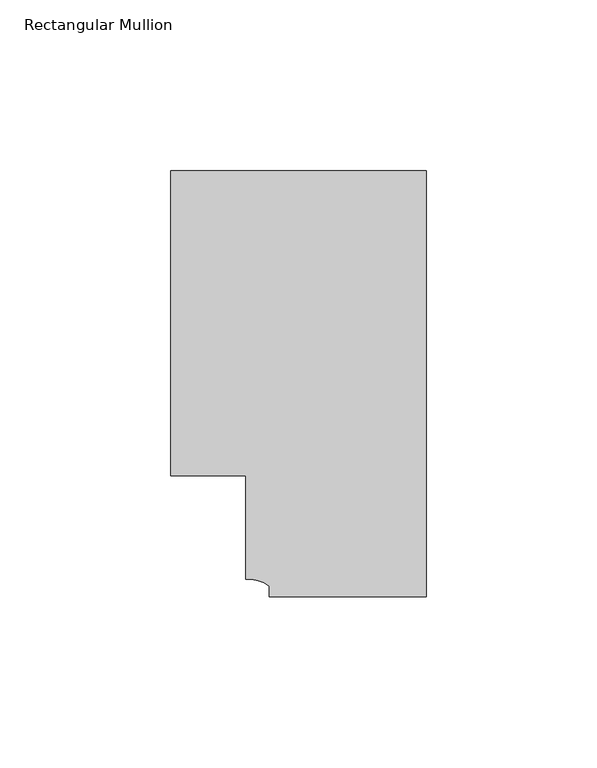
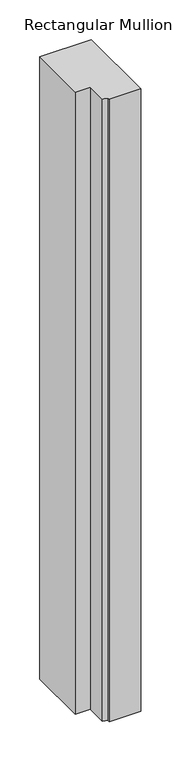
"""IFC4 building model written with IfcOpenShell, lengths in millimetres: member geometry, Rectangular Mullion."""

from ifc_helpers import new_model, si_unit, point, frame, frame_2d, origin, place, context, project, spatial, polyline, circle_curve, trimmed, segment, composite_curve, outline, extrude, source, transform, mapped, element, save


def rectangular_mullion_15255d0d(model_context):
    return source(origin(), model_context, "Body", "SweptSolid", [
        extrude(outline(composite_curve([segment(polyline([(0.0, -20.5), (-46.0, -20.5), (-46.0, -17.3125212)]), True, "CONTINUOUS"), segment(trimmed(circle_curve(frame_2d((-52.1098019, -25.7981812)), 10.4563907), [point((-46.0, -17.3125212))], [point((-52.9999391, -15.3797475))], True, "CARTESIAN"), True, "CONTINUOUS"), segment(polyline([(-52.9999391, -15.3797475), (-52.9999391, 15.0000829), (-75.0, 15.0000829), (-75.0, 104.5), (0.0, 104.5), (0.0, -20.5)]), True, "CONTINUOUS")], self_intersect=False)), frame((0.0, 0.0, -956.8198652), z_axis=(0.0, 0.0, 1.0), x_axis=(1.0, 0.0, 0.0)), (0.0, 0.0, 1.0), 956.8198652),
    ])


if __name__ == "__main__":
    model = new_model("IFC4")
    model_context = context("Model", 3, world=origin())
    ifc_project = project(units=[si_unit("LENGTHUNIT", "METRE", prefix="MILLI")], contexts=[model_context])
    site = spatial("IfcSite", under=ifc_project)
    building = spatial("IfcBuilding", under=site)
    placement = place(None, origin())
    rectangular_mullion_shape = rectangular_mullion_15255d0d(model_context)
    element("IfcMember", 1, ObjectType="Rectangular Mullion", at=placement, inside=building, context=model_context, shape_type="MappedRepresentation", body=[
        mapped(rectangular_mullion_shape, transform((0.0, 0.0, 0.0), x_axis=(1.0, 0.0, 0.0), y_axis=(0.0, 1.0, 0.0), z_axis=(0.0, 0.0, 1.0))),
    ])
    save(model, "model.ifc")
